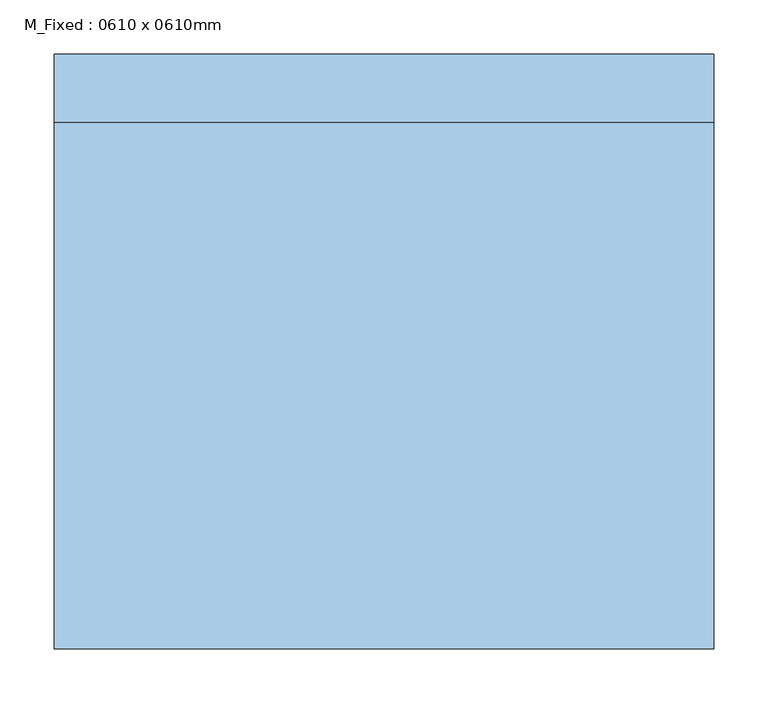
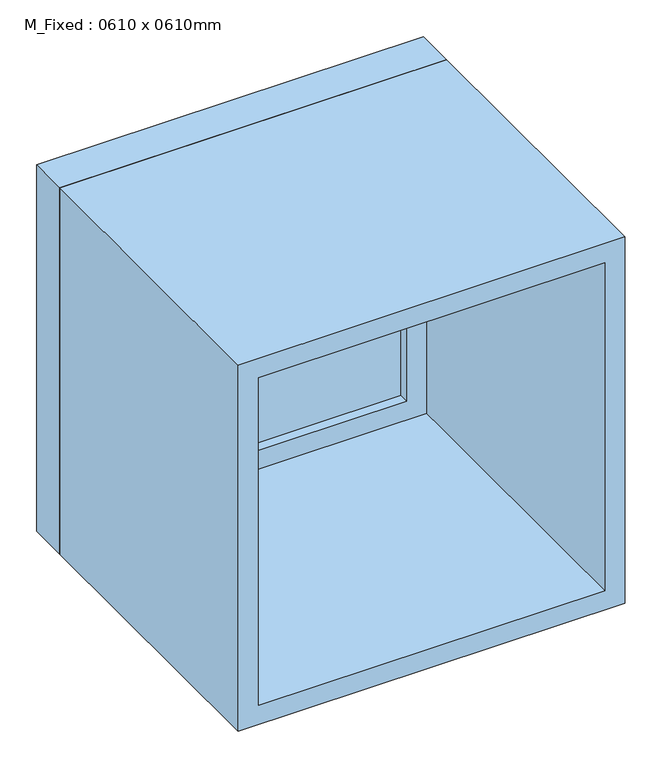
"""IFC4 building model written with IfcOpenShell, lengths in millimetres: window geometry, M_Fixed : 0610 x 0610mm."""

from ifc_helpers import new_model, si_unit, frame, origin, place, context, project, spatial, polyline, outline, extrude, source, transform, mapped, element, save


def m_fixed_0610_x_0610mm_42c7ef39(model_context):
    return source(origin(), model_context, "Body", "SweptSolid", [
        extrude(outline(polyline([(-242.0, 253.0), (242.0, 253.0), (242.0, 241.0), (-242.0, 241.0), (-242.0, 253.0)])), frame((0.0, 0.0, 978.0), z_axis=(0.0, 0.0, 1.0), x_axis=(1.0, 0.0, 0.0)), (0.0, 0.0, 1.0), 484.0),
        extrude(outline(polyline([(1506.0, -286.0), (934.0, -286.0), (934.0, 286.0), (1506.0, 286.0), (1506.0, -286.0)]), holes=[polyline([(1462.0, -242.0), (1462.0, 242.0), (978.0, 242.0), (978.0, -242.0), (1462.0, -242.0)])]), frame((0.0, 225.0, 0.0), z_axis=(0.0, 1.0, 0.0), x_axis=(0.0, 0.0, 1.0)), (0.0, 0.0, 1.0), 44.0),
        extrude(outline(polyline([(1525.0, -305.0), (915.0, -305.0), (915.0, 305.0), (1525.0, 305.0), (1525.0, -305.0)]), holes=[polyline([(1506.0, -286.0), (1506.0, 286.0), (934.0, 286.0), (934.0, -286.0), (1506.0, -286.0)])]), frame((0.0, 225.0, 0.0), z_axis=(0.0, 1.0, 0.0), x_axis=(0.0, 0.0, 1.0)), (0.0, 0.0, 1.0), 63.0),
        extrude(outline(polyline([(1525.0, -305.0), (915.0, -305.0), (915.0, 305.0), (1525.0, 305.0), (1525.0, -305.0)]), holes=[polyline([(1493.0, -273.0), (1493.0, 273.0), (947.0, 273.0), (947.0, -273.0), (1493.0, -273.0)])]), frame((0.0, -262.0, 0.0), z_axis=(0.0, 1.0, 0.0), x_axis=(0.0, 0.0, 1.0)), (0.0, 0.0, 1.0), 487.0),
    ])


if __name__ == "__main__":
    model = new_model("IFC4")
    model_context = context("Model", 3, world=origin())
    ifc_project = project(units=[si_unit("LENGTHUNIT", "METRE", prefix="MILLI")], contexts=[model_context])
    site = spatial("IfcSite", under=ifc_project)
    building = spatial("IfcBuilding", under=site)
    placement = place(None, origin())
    m_fixed_0610_x_0610mm_shape = m_fixed_0610_x_0610mm_42c7ef39(model_context)
    element("IfcWindow", 1, ObjectType="M_Fixed : 0610 x 0610mm", at=placement, inside=building, context=model_context, shape_type="MappedRepresentation", body=[
        mapped(m_fixed_0610_x_0610mm_shape, transform((0.0, 0.0, 0.0), x_axis=(1.0, 0.0, 0.0), y_axis=(0.0, 1.0, 0.0), z_axis=(0.0, 0.0, 1.0))),
    ])
    save(model, "model.ifc")
